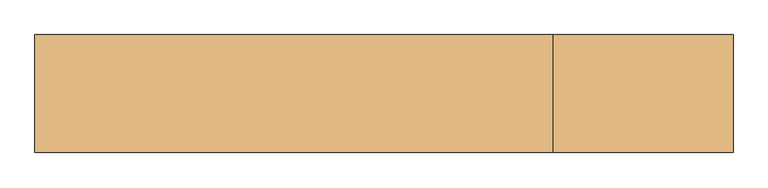
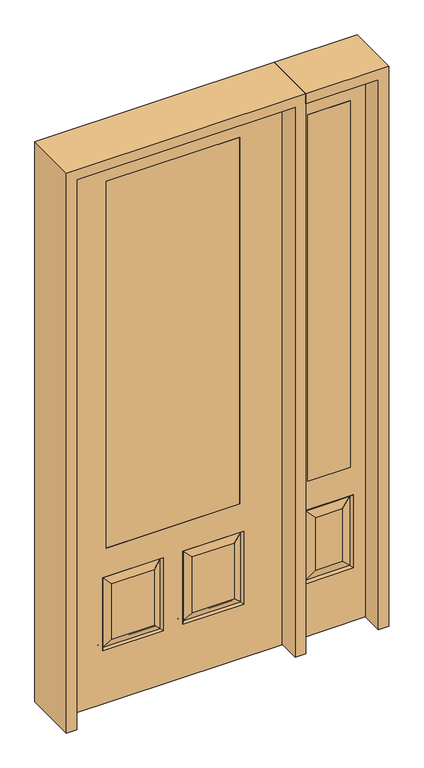
"""IFC4 building model written with IfcOpenShell, lengths in millimetres: door geometry."""

from ifc_helpers import new_model, si_unit, frame, origin, place, context, project, spatial, polyline, outline, extrude, faceted_brep, source, transform, mapped, element, save


def door_04edd0fc(model_context):
    return source(origin(), model_context, "Body", "SolidModel", [
        extrude(outline(polyline([(565.15, -20.6375), (565.15, 20.6375), (742.95, 20.6375), (742.95, -20.6375), (565.15, -20.6375)])), frame((0.0, 0.0, 685.8), z_axis=(0.0, 0.0, 1.0), x_axis=(1.0, 0.0, 0.0)), (0.0, 0.0, 1.0), 1625.6),
        faceted_brep([(806.45, -20.6375, 0.0), (806.45, -20.6375, 2438.4), (501.65, -20.6375, 2438.4), (501.65, -20.6375, 0.0), (552.45, -20.6375, 234.95), (552.45, -20.6375, 558.8), (755.65, -20.6375, 558.8), (755.65, -20.6375, 234.95), (565.15, -20.6375, 685.8), (565.15, -20.6375, 2311.4), (742.95, -20.6375, 2311.4), (742.95, -20.6375, 685.8), (709.6125, -20.6375, 280.9875), (709.6125, -20.6375, 512.7625), (598.4875, -20.6375, 512.7625), (598.4875, -20.6375, 280.9875), (501.65, 20.6375, 0.0), (806.45, 20.6375, 0.0), (501.65, 20.6375, 2438.4), (806.45, 20.6375, 2438.4), (561.4302561, -11.6572439, 243.9302561), (746.6697439, -11.6572439, 243.9302561), (746.6697439, -11.6572439, 549.8197439), (561.4302561, -11.6572439, 549.8197439), (755.65, 20.6375, 234.95), (755.65, 20.6375, 558.8), (552.45, 20.6375, 558.8), (552.45, 20.6375, 234.95), (742.95, 20.6375, 685.8), (742.95, 20.6375, 2311.4), (565.15, 20.6375, 2311.4), (565.15, 20.6375, 685.8), (598.4875, 20.6375, 280.9875), (598.4875, 20.6375, 512.7625), (709.6125, 20.6375, 512.7625), (709.6125, 20.6375, 280.9875), (561.4302561, 11.6572439, 243.9302561), (746.6697439, 11.6572439, 243.9302561), (561.4302561, 11.6572439, 549.8197439), (746.6697439, 11.6572439, 549.8197439)], [[[0, 1, 2, 3], [4, 5, 6, 7], [8, 9, 10, 11]], [[12, 13, 14, 15]], [[3, 16, 17, 0]], [[2, 18, 16, 3]], [[0, 17, 19, 1]], [[20, 4, 7, 21]], [[7, 6, 22, 21]], [[6, 5, 23, 22]], [[20, 23, 5, 4]], [[21, 12, 15, 20]], [[15, 14, 23, 20]], [[22, 23, 14, 13]], [[21, 22, 13, 12]], [[17, 16, 18, 19], [24, 25, 26, 27], [28, 29, 30, 31]], [[32, 33, 34, 35]], [[24, 27, 36, 37]], [[27, 26, 38, 36]], [[39, 38, 26, 25]], [[37, 39, 25, 24]], [[36, 32, 35, 37]], [[35, 34, 39, 37]], [[34, 33, 38, 39]], [[36, 38, 33, 32]], [[1, 19, 18, 2]], [[8, 11, 28, 31]], [[11, 10, 29, 28]], [[31, 30, 9, 8]], [[30, 29, 10, 9]]]),
        faceted_brep([(279.4, 20.6375, 685.8), (279.4, -20.6375, 685.8), (279.4, -20.6375, 2311.4), (279.4, 20.6375, 2311.4), (-279.4, 20.6375, 685.8), (-279.4, -20.6375, 685.8), (-80.1727627, 20.6375, 273.8477627), (-256.3772373, 20.6375, 273.8477627), (-256.3772373, 20.6375, 520.4102373), (-80.1727627, 20.6375, 520.4102373), (256.3772373, 20.6375, 273.8477627), (80.1727627, 20.6375, 273.8477627), (80.1727627, 20.6375, 520.4102373), (256.3772373, 20.6375, 520.4102373), (-457.2, 20.6375, 2438.4), (457.2, 20.6375, 2438.4), (457.2, 20.6375, 0.0), (-457.2, 20.6375, 0.0), (-279.4, 20.6375, 2311.4), (-295.275, 20.6375, 234.95), (-41.275, 20.6375, 234.95), (-41.275, 20.6375, 559.308), (-295.275, 20.6375, 559.308), (41.275, 20.6375, 234.95), (295.275, 20.6375, 234.95), (295.275, 20.6375, 559.308), (41.275, 20.6375, 559.308), (-279.4, -20.6375, 2311.4), (80.1727627, -20.6375, 273.8477627), (256.3772373, -20.6375, 273.8477627), (256.3772373, -20.6375, 520.4102373), (80.1727627, -20.6375, 520.4102373), (-256.3772373, -20.6375, 273.8477627), (-80.1727627, -20.6375, 273.8477627), (-80.1727627, -20.6375, 520.4102373), (-256.3772373, -20.6375, 520.4102373), (457.2, -20.6375, 2438.4), (-457.2, -20.6375, 2438.4), (-457.2, -20.6375, 0.0), (457.2, -20.6375, 0.0), (295.275, -20.6375, 234.95), (41.275, -20.6375, 234.95), (41.275, -20.6375, 559.308), (295.275, -20.6375, 559.308), (-41.275, -20.6375, 234.95), (-295.275, -20.6375, 234.95), (-295.275, -20.6375, 559.308), (-41.275, -20.6375, 559.308), (-287.8714647, 11.4399763, 242.3535353), (-48.6785353, 11.4399763, 242.3535353), (-48.6785353, 11.4399763, 551.9044647), (-287.8714647, 11.4399763, 551.9044647), (48.6785353, 11.4399763, 242.3535353), (287.8714647, 11.4399763, 242.3535353), (287.8714647, 11.4399763, 551.9044647), (48.6785353, 11.4399763, 551.9044647), (287.8714647, -11.4399763, 242.3535353), (48.6785353, -11.4399763, 242.3535353), (48.6785353, -11.4399763, 551.9044647), (287.8714647, -11.4399763, 551.9044647), (-48.6785353, -11.4399763, 242.3535353), (-287.8714647, -11.4399763, 242.3535353), (-287.8714647, -11.4399763, 551.9044647), (-48.6785353, -11.4399763, 551.9044647)], [[[0, 1, 2, 3]], [[1, 0, 4, 5]], [[6, 7, 8, 9]], [[10, 11, 12, 13]], [[14, 15, 16, 17], [4, 0, 3, 18], [19, 20, 21, 22], [23, 24, 25, 26]], [[5, 4, 18, 27]], [[28, 29, 30, 31]], [[32, 33, 34, 35]], [[36, 37, 38, 39], [1, 5, 27, 2], [40, 41, 42, 43], [44, 45, 46, 47]], [[39, 38, 17, 16]], [[37, 14, 17, 38]], [[15, 36, 39, 16]], [[19, 48, 49, 20]], [[20, 49, 50, 21]], [[51, 22, 21, 50]], [[48, 19, 22, 51]], [[49, 48, 7, 6]], [[7, 48, 51, 8]], [[8, 51, 50, 9]], [[49, 6, 9, 50]], [[52, 53, 24, 23]], [[24, 53, 54, 25]], [[25, 54, 55, 26]], [[52, 23, 26, 55]], [[53, 52, 11, 10]], [[11, 52, 55, 12]], [[54, 13, 12, 55]], [[53, 10, 13, 54]], [[40, 56, 57, 41]], [[41, 57, 58, 42]], [[59, 43, 42, 58]], [[56, 40, 43, 59]], [[57, 56, 29, 28]], [[29, 56, 59, 30]], [[30, 59, 58, 31]], [[57, 28, 31, 58]], [[60, 61, 45, 44]], [[45, 61, 62, 46]], [[46, 62, 63, 47]], [[60, 44, 47, 63]], [[61, 60, 33, 32]], [[33, 60, 63, 34]], [[62, 35, 34, 63]], [[61, 32, 35, 62]], [[3, 2, 27, 18]], [[36, 15, 14, 37]]]),
        extrude(outline(polyline([(279.4, -20.6375), (-279.4, -20.6375), (-279.4, 20.6375), (279.4, 20.6375), (279.4, -20.6375)])), frame((0.0, 0.0, 685.8), z_axis=(0.0, 0.0, 1.0), x_axis=(1.0, 0.0, 0.0)), (0.0, 0.0, 1.0), 1625.6),
        extrude(outline(polyline([(2482.85, -501.65), (0.0, -501.65), (0.0, -457.2), (2438.4, -457.2), (2438.4, 457.2), (0.0, 457.2), (0.0, 501.65), (2482.85, 501.65), (2482.85, -501.65)])), frame((0.0, -114.3, 0.0), z_axis=(0.0, 1.0, 0.0), x_axis=(0.0, 0.0, 1.0)), (0.0, 0.0, 1.0), 228.6),
        extrude(outline(polyline([(0.0, 806.45), (0.0, 850.9), (2482.85, 850.9), (2482.85, 501.65), (2438.4, 501.65), (2438.4, 806.45), (0.0, 806.45)])), frame((0.0, -114.3, 0.0), z_axis=(0.0, 1.0, 0.0), x_axis=(0.0, 0.0, 1.0)), (0.0, 0.0, 1.0), 228.6),
    ])


if __name__ == "__main__":
    model = new_model("IFC4")
    model_context = context("Model", 3, world=origin())
    ifc_project = project(units=[si_unit("LENGTHUNIT", "METRE", prefix="MILLI")], contexts=[model_context])
    site = spatial("IfcSite", under=ifc_project)
    building = spatial("IfcBuilding", under=site)
    placement = place(None, origin())
    door_shape = door_04edd0fc(model_context)
    element("IfcDoor", 1, at=placement, inside=building, context=model_context, shape_type="MappedRepresentation", body=[
        mapped(door_shape, transform((0.0, 0.0, 0.0), x_axis=(1.0, 0.0, 0.0), y_axis=(0.0, 1.0, 0.0), z_axis=(0.0, 0.0, 1.0))),
    ])
    save(model, "model.ifc")
